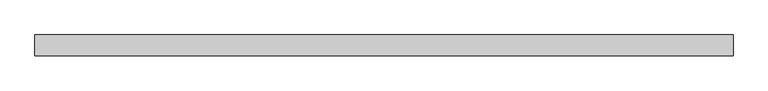
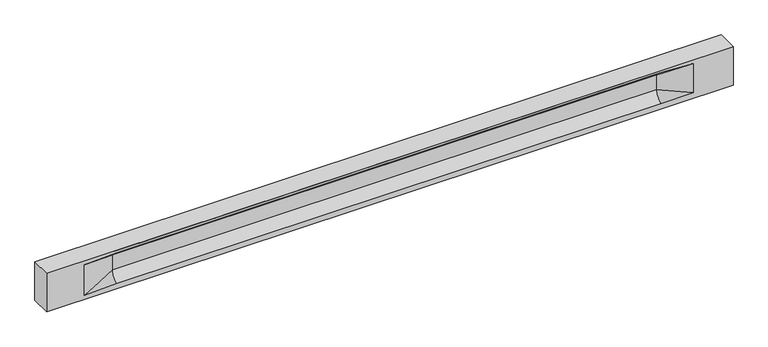
"""IFC4 building model written with IfcOpenShell, lengths in millimetres: beam geometry."""

from ifc_helpers import new_model, si_unit, frame, origin, place, context, project, spatial, polyline, circle_curve, source, transform, mapped, element, save
from ifc_brep_helpers import plane_surface, revolved_surface, spline_surface, advanced_brep


def beam_698ba2a5(model_context):
    return source(origin(), model_context, "Body", "AdvancedBrep", [
        advanced_brep(
        [(8440.5, -250.0, 500.0), (8440.5, -250.0, -500.0), (8440.5, 250.0, -500.0), (8440.5, 250.0, 500.0), (-8440.5, -250.0, 500.0), (-8440.5, -250.0, -500.0), (7465.5, -250.0, -362.0), (6665.5, -250.0, -360.0), (-6710.5, -250.0, -360.0), (-7510.5, -250.0, -400.0), (-7510.5, -250.0, 400.0), (-6710.5, -250.0, 435.0), (6665.5, -250.0, 435.0), (7465.5, -250.0, 400.0), (-8440.5, 250.0, -500.0), (-8440.5, 250.0, 500.0), (7465.5, 250.0, 400.0), (6665.5, 250.0, 435.0), (-6710.5, 250.0, 435.0), (-7510.5, 250.0, 400.0), (-7510.5, 250.0, -400.0), (-6710.5, 250.0, -360.0), (6665.5, 250.0, -360.0), (7465.5, 250.0, -362.0), (6665.5, 155.0, 405.0), (-6710.5, 155.0, 405.0), (6665.5, 60.0, 262.777021), (-6710.5, 60.0, 262.777021), (6665.5, 60.0, -120.0), (-6710.5, 60.0, -120.0), (6665.5, -60.0, -120.0), (-6710.5, -60.0, -120.0), (6665.5, -60.0, 262.777021), (-6710.5, -60.0, 262.777021), (6665.5, -155.0, 405.0), (-6710.5, -155.0, 405.0)],
        [
            (0, 1),
            (1, 2),
            (2, 3),
            (3, 0),
            (0, 4),
            (4, 5),
            (5, 1),
            (6, 7),
            (7, 8),
            (8, 9),
            (9, 10),
            (10, 11),
            (11, 12),
            (12, 13),
            (13, 6),
            (5, 14),
            (14, 2),
            (14, 15),
            (15, 3),
            (16, 17),
            (17, 18),
            (18, 19),
            (19, 20),
            (20, 21),
            (21, 22),
            (22, 23),
            (23, 16),
            (15, 4),
            (17, 24),
            (24, 25),
            (25, 18),
            (24, 26, circle_curve(frame((6665.5, 213.9598725, 262.777021), z_axis=(1.0, 0.0, 0.0), x_axis=(0.0, 1.0, 0.0)), 153.9598725)),
            (26, 27),
            (27, 25, circle_curve(frame((-6710.5, 213.9598725, 262.777021), z_axis=(-1.0, 0.0, 0.0), x_axis=(0.0, 1.0, 0.0)), 153.9598725)),
            (26, 28),
            (28, 29),
            (29, 27),
            (28, 22, circle_curve(frame((6665.5, 306.5789474, -120.0), z_axis=(1.0, 0.0, 0.0), x_axis=(0.0, 1.0, 0.0)), 246.5789474)),
            (21, 29, circle_curve(frame((-6710.5, 306.5789474, -120.0), z_axis=(-1.0, 0.0, 0.0), x_axis=(0.0, 1.0, 0.0)), 246.5789474)),
            (7, 30, circle_curve(frame((6665.5, -306.5789474, -120.0), z_axis=(1.0, 0.0, 0.0), x_axis=(0.0, 1.0, 0.0)), 246.5789474)),
            (30, 31),
            (31, 8, circle_curve(frame((-6710.5, -306.5789474, -120.0), z_axis=(-1.0, 0.0, 0.0), x_axis=(0.0, 1.0, 0.0)), 246.5789474)),
            (30, 32),
            (32, 33),
            (33, 31),
            (32, 34, circle_curve(frame((6665.5, -213.9598725, 262.777021), z_axis=(1.0, 0.0, 0.0), x_axis=(0.0, 1.0, 0.0)), 153.9598725)),
            (34, 35),
            (35, 33, circle_curve(frame((-6710.5, -213.9598725, 262.777021), z_axis=(-1.0, 0.0, 0.0), x_axis=(0.0, 1.0, 0.0)), 153.9598725)),
            (34, 12),
            (11, 35),
            (27, 19),
            (19, 25),
            (10, 35),
            (10, 33),
            (9, 31),
            (20, 29),
            (34, 13),
            (32, 13),
            (30, 6),
            (28, 23),
            (26, 16),
            (24, 16),
        ],
        [
            plane_surface(frame((8440.5, 0.0, 0.0), z_axis=(1.0, 0.0, 0.0), x_axis=(0.0, 0.0, 1.0))),
            plane_surface(frame((8440.5, -250.0, 500.0), z_axis=(0.0, -1.0, 0.0), x_axis=(-1.0, 0.0, 0.0))),
            plane_surface(frame((8440.5, -250.0, -500.0), z_axis=(0.0, 0.0, -1.0), x_axis=(-1.0, 0.0, 0.0))),
            plane_surface(frame((8440.5, 250.0, -500.0), z_axis=(0.0, 1.0, 0.0), x_axis=(-1.0, 0.0, 0.0))),
            plane_surface(frame((8440.5, 250.0, 500.0), z_axis=(0.0, 0.0, 1.0), x_axis=(-1.0, 0.0, 0.0))),
            plane_surface(frame((-6710.5, 250.0, 435.0), z_axis=(0.0, 0.30113136793710954, -0.9535826651341378), x_axis=(1.0, 0.0, 0.0))),
            revolved_surface(polyline([(6665.5, 367.919745, 262.777021), (-6710.5, 367.919745, 262.777021)]), (-6710.5, 213.9598725, 262.777021), (1.0, 0.0, 0.0)),
            plane_surface(frame((-6710.5, 60.0, 262.777021), z_axis=(0.0, 1.0, 0.0), x_axis=(1.0, 0.0, 0.0))),
            revolved_surface(polyline([(6665.5, 553.1578948, -120.0), (-6710.5, 553.1578948, -120.0)]), (-6710.5, 306.5789474, -120.0), (1.0, 0.0, 0.0)),
            revolved_surface(polyline([(6665.5, -60.0, -120.0), (-6710.5, -60.0, -120.0)]), (-6710.5, -306.5789474, -120.0), (1.0, 0.0, 0.0)),
            plane_surface(frame((-6710.5, -60.0, -120.0), z_axis=(0.0, -1.0, 0.0), x_axis=(1.0, 0.0, 0.0))),
            revolved_surface(polyline([(6665.5, -60.0, 262.777021), (-6710.5, -60.0, 262.777021)]), (-6710.5, -213.9598725, 262.777021), (1.0, 0.0, 0.0)),
            plane_surface(frame((-6710.5, -155.0, 405.0), z_axis=(0.0, -0.30113136793710693, -0.9535826651341387), x_axis=(1.0, 0.0, 0.0))),
            spline_surface(2, 1, [[(-7510.5, 250.0, 400.0), (-6710.5, 60.0, 262.777021)], [(-7510.5, 250.0, 400.0), (-6710.5, 59.99999995452379, 365.6168572954922)], [(-7510.5, 250.0, 400.0), (-6710.5, 155.0, 405.0)]], [3, 3], [2, 2], [0.0, 1.0], [0.0, 1.0], weights=[[1.0, 1.0], [0.8315515921160737, 0.8315515921160737], [1.0, 1.0]]),
            plane_surface(frame((-7510.5, 250.0, 400.0), z_axis=(0.04168298285568759, 0.30086965068766386, -0.9527538938442265), x_axis=(0.0, 0.9535826651341378, 0.30113136793710954))),
            plane_surface(frame((-7510.5, -250.0, 400.0), z_axis=(0.041682982855687625, -0.30086965068766125, -0.9527538938442274), x_axis=(0.0, 0.9535826651341387, -0.30113136793710693))),
            spline_surface(2, 1, [[(-7510.5, -250.0, 400.0), (-6710.5, -155.0, 405.0)], [(-7510.5, -250.0, 400.0), (-6710.5, -60.00000008030692, 365.6168572114734)], [(-7510.5, -250.0, 400.0), (-6710.5, -60.0, 262.777021)]], [3, 3], [2, 2], [0.0, 1.0], [0.0, 1.0], weights=[[1.0, 1.0], [0.8315515924557569, 0.8315515924557569], [1.0, 1.0]]),
            plane_surface(frame((-7510.5, -250.0, 0.0), z_axis=(0.2310724307958988, -0.9729365507195599, 0.0), x_axis=(0.0, 0.0, -1.0))),
            spline_surface(2, 1, [[(-7510.5, -250.0, -400.0), (-6710.5, -60.0, -120.0)], [(-7510.5, -250.0, -400.0), (-6710.5, -59.99999998020837, -315.20833333333337)], [(-7510.5, -250.0, -400.0), (-6710.5, -250.0, -360.0)]], [3, 3], [2, 2], [0.0, 1.0], [0.0, 1.0], weights=[[1.0, 1.0], [0.7840458244617614, 0.7840458244617614], [1.0, 1.0]]),
            spline_surface(2, 1, [[(-7510.5, 250.0, -400.0), (-6710.5, 250.0, -360.0)], [(-7510.5, 250.0, -400.0), (-6710.5, 60.00000002887427, -315.20833329480604)], [(-7510.5, 250.0, -400.0), (-6710.5, 60.0, -120.0)]], [3, 3], [2, 2], [0.0, 1.0], [0.0, 1.0], weights=[[1.0, 1.0], [0.7840458245391329, 0.7840458245391329], [1.0, 1.0]]),
            plane_surface(frame((-7510.5, 250.0, 0.0), z_axis=(0.23107243079589448, 0.9729365507195609, 0.0), x_axis=(0.0, 0.0, 1.0))),
            plane_surface(frame((-8440.5, 0.0, 0.0), z_axis=(-1.0, 0.0, 0.0), x_axis=(0.0, 0.0, 1.0))),
            plane_surface(frame((6665.5, -202.5, 420.0), z_axis=(-0.041682982855687514, -0.30086965068766125, -0.9527538938442274), x_axis=(0.0, 0.9535826651341387, -0.30113136793710693))),
            spline_surface(2, 1, [[(6665.5, -155.0, 405.0), (7465.5, -250.0, 400.0)], [(6665.5, -60.00000008030692, 365.6168572114734), (7465.5, -250.0, 400.0)], [(6665.5, -60.0, 262.777021), (7465.5, -250.0, 400.0)]], [3, 3], [2, 2], [0.0, 1.0], [0.0, 1.0], weights=[[1.0, 1.0], [0.8315515924557569, 0.8315515924557569], [1.0, 1.0]]),
            plane_surface(frame((6665.5, -60.0, 71.3885105), z_axis=(-0.23107243079589768, -0.9729365507195602, 0.0), x_axis=(0.0, 0.0, -1.0))),
            spline_surface(2, 1, [[(6665.5, -60.0, -120.0), (7465.5, -250.0, -362.0)], [(6665.5, -59.99999998020837, -315.20833333333337), (7465.5, -250.0, -362.0)], [(6665.5, -250.0, -360.0), (7465.5, -250.0, -362.0)]], [3, 3], [2, 2], [0.0, 1.0], [0.0, 1.0], weights=[[1.0, 1.0], [0.7840458244617614, 0.7840458244617614], [1.0, 1.0]]),
            spline_surface(2, 1, [[(6665.5, 250.0, -360.0), (7465.5, 250.0, -362.0)], [(6665.5, 60.00000002887427, -315.20833329480604), (7465.5, 250.0, -362.0)], [(6665.5, 60.0, -120.0), (7465.5, 250.0, -362.0)]], [3, 3], [2, 2], [0.0, 1.0], [0.0, 1.0], weights=[[1.0, 1.0], [0.7840458245391329, 0.7840458245391329], [1.0, 1.0]]),
            plane_surface(frame((6665.5, 60.0, 71.3885105), z_axis=(-0.2310724307958912, 0.9729365507195616, 0.0), x_axis=(0.0, 0.0, 1.0))),
            spline_surface(2, 1, [[(6665.5, 60.0, 262.777021), (7465.5, 250.0, 400.0)], [(6665.5, 59.99999995452379, 365.6168572954922), (7465.5, 250.0, 400.0)], [(6665.5, 155.0, 405.0), (7465.5, 250.0, 400.0)]], [3, 3], [2, 2], [0.0, 1.0], [0.0, 1.0], weights=[[1.0, 1.0], [0.8315515921160737, 0.8315515921160737], [1.0, 1.0]]),
            plane_surface(frame((6665.5, 202.5, 420.0), z_axis=(-0.04168298285568677, 0.30086965068766386, -0.9527538938442265), x_axis=(0.0, 0.9535826651341378, 0.30113136793710954))),
        ],
        [
            (0, [[1, 2, 3, 4]]),
            (1, [[-1, 5, 6, 7], [8, 9, 10, 11, 12, 13, 14, 15]]),
            (2, [[-2, -7, 16, 17]]),
            (3, [[-3, -17, 18, 19], [20, 21, 22, 23, 24, 25, 26, 27]]),
            (4, [[-5, -4, -19, 28]]),
            (5, [[-21, 29, 30, 31]]),
            (6, [[-30, 32, 33, 34]]),
            (7, [[-33, 35, 36, 37]]),
            (8, [[-36, 38, -25, 39]]),
            (9, [[-9, 40, 41, 42]]),
            (10, [[-41, 43, 44, 45]]),
            (11, [[-44, 46, 47, 48]]),
            (12, [[-47, 49, -13, 50]]),
            (13, [[51, 52, -34]]),
            (14, [[-52, -22, -31]]),
            (15, [[-12, 53, -50]]),
            (16, [[-53, 54, -48]]),
            (17, [[-54, -11, 55, -45]]),
            (18, [[-55, -10, -42]]),
            (19, [[-24, 56, -39]]),
            (20, [[-51, -37, -56, -23]]),
            (21, [[-28, -18, -16, -6]]),
            (22, [[-14, -49, 57]]),
            (23, [[-57, -46, 58]]),
            (24, [[-58, -43, 59, -15]]),
            (25, [[-59, -40, -8]]),
            (26, [[-26, -38, 60]]),
            (27, [[-60, -35, 61, -27]]),
            (28, [[-61, -32, 62]]),
            (29, [[-62, -29, -20]]),
        ],
    ),
    ])


if __name__ == "__main__":
    model = new_model("IFC4")
    model_context = context("Model", 3, world=origin())
    ifc_project = project(units=[si_unit("LENGTHUNIT", "METRE", prefix="MILLI")], contexts=[model_context])
    site = spatial("IfcSite", under=ifc_project)
    building = spatial("IfcBuilding", under=site)
    placement = place(None, origin())
    beam_shape = beam_698ba2a5(model_context)
    element("IfcBeam", 1, at=placement, inside=building, context=model_context, shape_type="MappedRepresentation", body=[
        mapped(beam_shape, transform((0.0, 0.0, 0.0), x_axis=(1.0, 0.0, 0.0), y_axis=(0.0, 1.0, 0.0), z_axis=(0.0, 0.0, 1.0))),
    ])
    save(model, "model.ifc")
